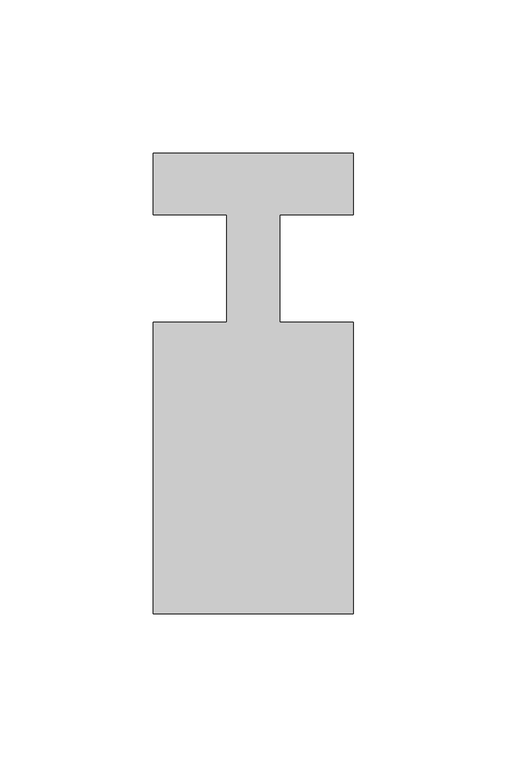
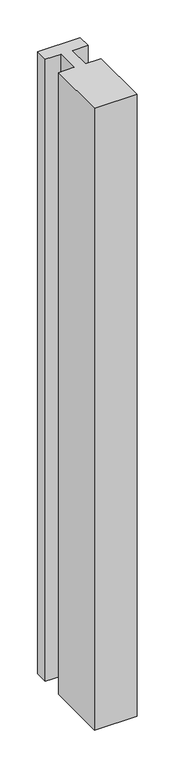
"""IFC4 building model written with IfcOpenShell, lengths in millimetres: member geometry."""

from ifc_helpers import new_model, si_unit, frame, origin, place, context, project, spatial, polyline, outline, extrude, source, transform, mapped, element, save


def member_ca643689(model_context):
    return source(origin(), model_context, "Body", "SweptSolid", [
        extrude(outline(polyline([(-32.5, 37.0), (32.5, 37.0), (32.5, 17.0), (8.6875, 17.0), (8.6875, -18.0), (32.5, -18.0), (32.5, -113.0), (-32.5, -113.0), (-32.5, -18.0), (-8.6875, -18.0), (-8.6875, 17.0), (-32.5, 17.0), (-32.5, 37.0)])), frame((0.0, 0.0, -1002.5), z_axis=(0.0, 0.0, 1.0), x_axis=(1.0, 0.0, 0.0)), (0.0, 0.0, 1.0), 1002.5),
    ])


if __name__ == "__main__":
    model = new_model("IFC4")
    model_context = context("Model", 3, world=origin())
    ifc_project = project(units=[si_unit("LENGTHUNIT", "METRE", prefix="MILLI")], contexts=[model_context])
    site = spatial("IfcSite", under=ifc_project)
    building = spatial("IfcBuilding", under=site)
    placement = place(None, origin())
    member_shape = member_ca643689(model_context)
    element("IfcMember", 1, at=placement, inside=building, context=model_context, shape_type="MappedRepresentation", body=[
        mapped(member_shape, transform((0.0, 0.0, 0.0), x_axis=(1.0, 0.0, 0.0), y_axis=(0.0, 1.0, 0.0), z_axis=(0.0, 0.0, 1.0))),
    ])
    save(model, "model.ifc")
